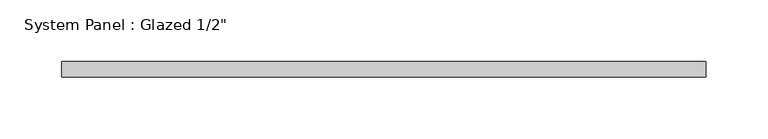
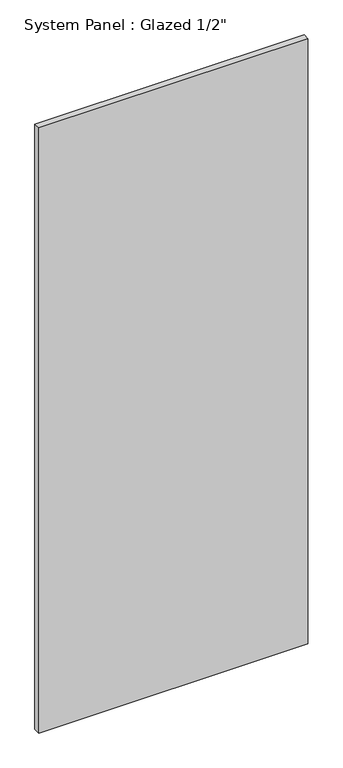
"""IFC4 building model written with IfcOpenShell, lengths in millimetres: plate geometry."""

from ifc_helpers import new_model, si_unit, origin, origin_with_axes, place, context, project, spatial, polyline, outline, extrude, source, transform, mapped, element, save


def plate_77998f4c(model_context):
    return source(origin(), model_context, "Body", "SweptSolid", [
        extrude(outline(polyline([(261.1004402, -6.35), (-261.1004402, -6.35), (-261.1004402, 6.35), (261.1004402, 6.35), (261.1004402, -6.35)])), origin_with_axes(), (0.0, 0.0, 1.0), 1241.5880352),
    ])


if __name__ == "__main__":
    model = new_model("IFC4")
    model_context = context("Model", 3, world=origin())
    ifc_project = project(units=[si_unit("LENGTHUNIT", "METRE", prefix="MILLI")], contexts=[model_context])
    site = spatial("IfcSite", under=ifc_project)
    building = spatial("IfcBuilding", under=site)
    placement = place(None, origin())
    plate_shape = plate_77998f4c(model_context)
    element("IfcPlate", 1, ObjectType="System Panel : Glazed 1/2\"", at=placement, inside=building, context=model_context, shape_type="MappedRepresentation", body=[
        mapped(plate_shape, transform((0.0, 0.0, 0.0), x_axis=(1.0, 0.0, 0.0), y_axis=(0.0, 1.0, 0.0), z_axis=(0.0, 0.0, 1.0))),
    ])
    save(model, "model.ifc")
